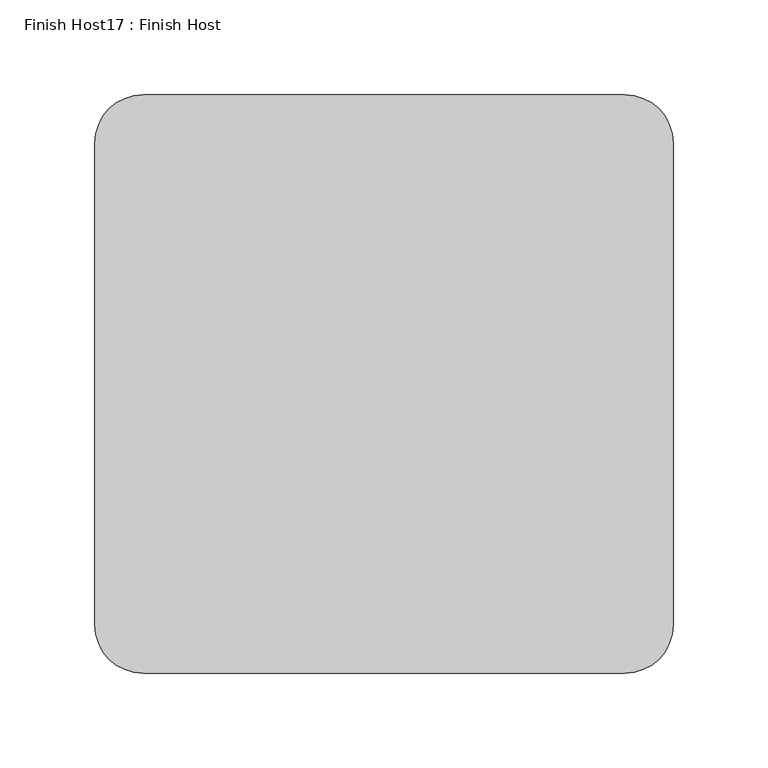
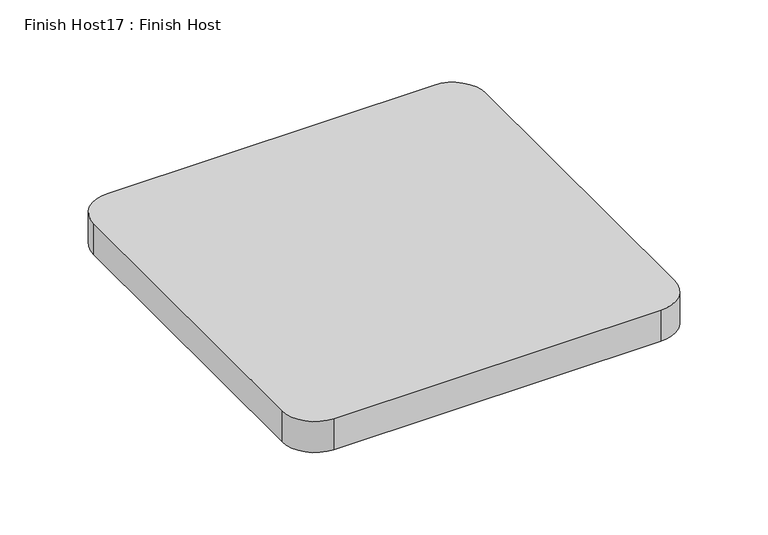
"""IFC4 building model written with IfcOpenShell, lengths in millimetres: proxy geometry, Finish Host17 : Finish Host."""

from ifc_helpers import new_model, si_unit, point, frame_2d, origin, origin_with_axes, place, context, project, spatial, polyline, circle_curve, trimmed, segment, composite_curve, outline, extrude, source, transform, mapped, element, save


def finish_host17_finish_host_55fa66fa(model_context):
    return source(origin(), model_context, "Body", "SweptSolid", [
        extrude(outline(composite_curve([segment(polyline([(8810.7478493, 1206.8122951), (8810.7478493, 1460.8122951)]), True, "CONTINUOUS"), segment(trimmed(circle_curve(frame_2d((8836.1478493, 1460.8122951)), 25.4), [point((8810.7478493, 1460.8122951))], [point((8836.1478493, 1486.2122951))], False, "CARTESIAN"), True, "CONTINUOUS"), segment(polyline([(8836.1478493, 1486.2122951), (9090.1478493, 1486.2122951)]), True, "CONTINUOUS"), segment(trimmed(circle_curve(frame_2d((9090.1478493, 1460.8122951)), 25.4), [point((9090.1478493, 1486.2122951))], [point((9115.5478493, 1460.8122951))], False, "CARTESIAN"), True, "CONTINUOUS"), segment(polyline([(9115.5478493, 1460.8122951), (9115.5478493, 1206.8122951)]), True, "CONTINUOUS"), segment(trimmed(circle_curve(frame_2d((9090.1478493, 1206.8122951)), 25.4), [point((9115.5478493, 1206.8122951))], [point((9090.1478493, 1181.4122951))], False, "CARTESIAN"), True, "CONTINUOUS"), segment(polyline([(9090.1478493, 1181.4122951), (8836.1478493, 1181.4122951)]), True, "CONTINUOUS"), segment(trimmed(circle_curve(frame_2d((8836.1478493, 1206.8122951)), 25.4), [point((8836.1478493, 1181.4122951))], [point((8810.7478493, 1206.8122951))], False, "CARTESIAN"), True, "CONTINUOUS")], self_intersect=False)), origin_with_axes(), (0.0, 0.0, 1.0), 25.4),
    ])


if __name__ == "__main__":
    model = new_model("IFC4")
    model_context = context("Model", 3, world=origin())
    ifc_project = project(units=[si_unit("LENGTHUNIT", "METRE", prefix="MILLI")], contexts=[model_context])
    site = spatial("IfcSite", under=ifc_project)
    building = spatial("IfcBuilding", under=site)
    placement = place(None, origin())
    finish_host17_finish_host_shape = finish_host17_finish_host_55fa66fa(model_context)
    element("IfcBuildingElementProxy", 1, Name="Finish Host17 : Finish Host", ObjectType="Finish Host17 : Finish Host", at=placement, inside=building, context=model_context, shape_type="MappedRepresentation", body=[
        mapped(finish_host17_finish_host_shape, transform((0.0, 0.0, 0.0), x_axis=(1.0, 0.0, 0.0), y_axis=(0.0, 1.0, 0.0), z_axis=(0.0, 0.0, 1.0))),
    ])
    save(model, "model.ifc")
